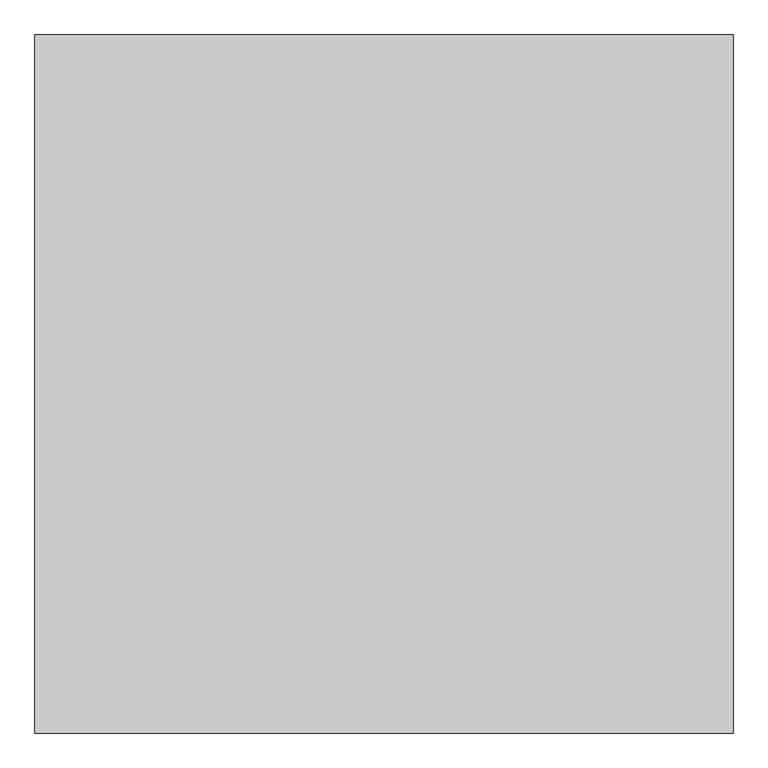
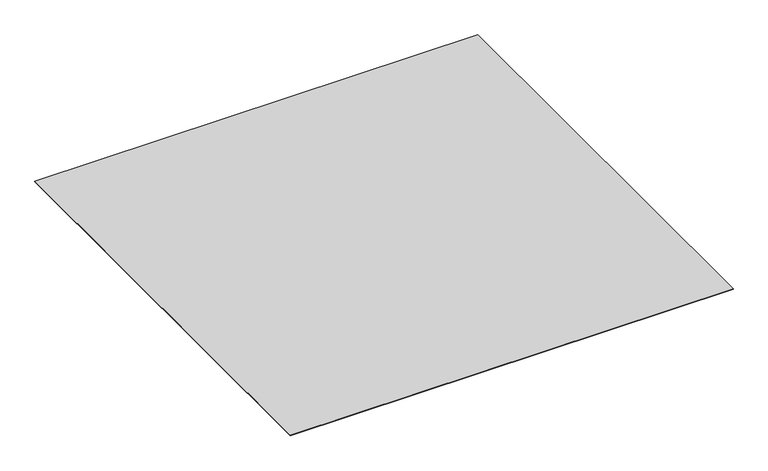
"""IFC4 building model written with IfcOpenShell, lengths in millimetres: proxy geometry."""

from ifc_helpers import new_model, si_unit, origin, origin_with_axes, place, context, project, spatial, polyline, outline, extrude, source, transform, mapped, element, save


def generic_models_f8bae55d(model_context):
    return source(origin(), model_context, "Body", "SweptSolid", [
        extrude(outline(polyline([(-16196.9237868, -20087.355679), (-16196.9237868, -21087.355679), (-17196.9237868, -21087.355679), (-17196.9237868, -20087.355679), (-16196.9237868, -20087.355679)])), origin_with_axes(), (0.0, 0.0, 1.0), 1.0),
    ])


if __name__ == "__main__":
    model = new_model("IFC4")
    model_context = context("Model", 3, world=origin())
    ifc_project = project(units=[si_unit("LENGTHUNIT", "METRE", prefix="MILLI")], contexts=[model_context])
    site = spatial("IfcSite", under=ifc_project)
    building = spatial("IfcBuilding", under=site)
    placement = place(None, origin())
    generic_models_shape = generic_models_f8bae55d(model_context)
    element("IfcBuildingElementProxy", 1, Name="Generic Models", at=placement, inside=building, context=model_context, shape_type="MappedRepresentation", body=[
        mapped(generic_models_shape, transform((0.0, 0.0, 0.0), x_axis=(1.0, 0.0, 0.0), y_axis=(0.0, 1.0, 0.0), z_axis=(0.0, 0.0, 1.0))),
    ])
    save(model, "model.ifc")
